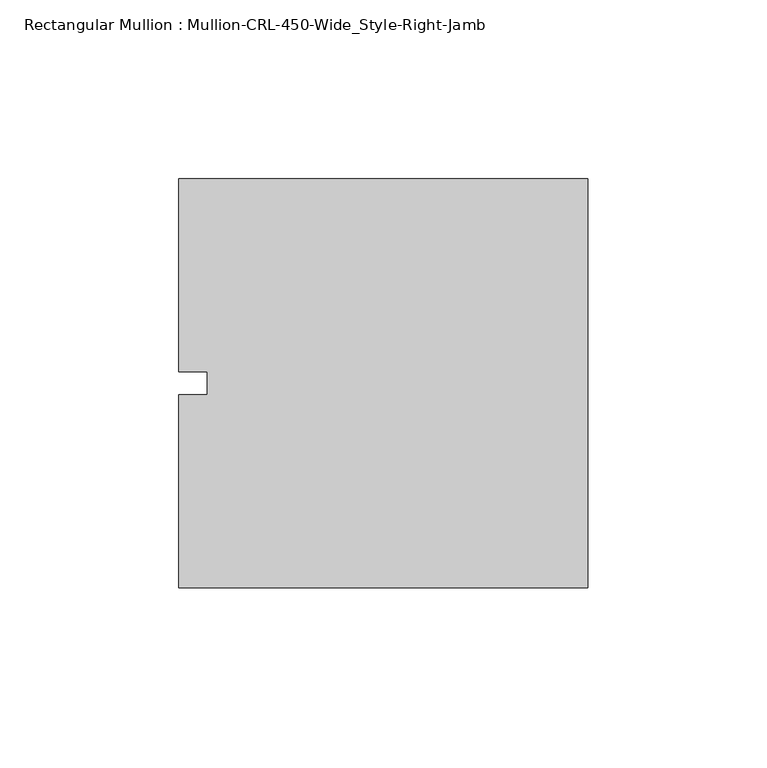
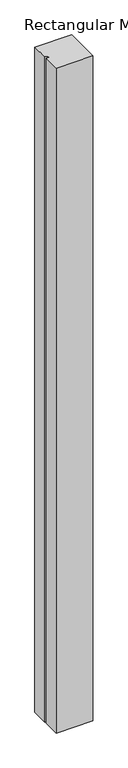
"""IFC4 building model written with IfcOpenShell, lengths in millimetres: member geometry, Rectangular Mullion : Mullion-CRL-450-Wide_Style-Right-Jamb."""

from ifc_helpers import new_model, si_unit, frame, origin, place, context, project, spatial, polyline, outline, extrude, source, transform, mapped, element, save


def rectangular_mullion_mullion_crl_450_wide_style_right_jamb_a54d5f39(model_context):
    return source(origin(), model_context, "Body", "SweptSolid", [
        extrude(outline(polyline([(0.0, -57.15), (-114.3, -57.15), (-114.3, -3.175), (-106.3625, -3.175), (-106.3625, 3.175), (-114.3, 3.175), (-114.3, 57.15), (0.0, 57.15), (0.0, -57.15)])), frame((0.0, 0.0, -2193.925), z_axis=(0.0, 0.0, 1.0), x_axis=(1.0, 0.0, 0.0)), (0.0, 0.0, 1.0), 2193.925),
    ])


if __name__ == "__main__":
    model = new_model("IFC4")
    model_context = context("Model", 3, world=origin())
    ifc_project = project(units=[si_unit("LENGTHUNIT", "METRE", prefix="MILLI")], contexts=[model_context])
    site = spatial("IfcSite", under=ifc_project)
    building = spatial("IfcBuilding", under=site)
    placement = place(None, origin())
    rectangular_mullion_mullion_crl_450_wide_style_right_jamb_shape = rectangular_mullion_mullion_crl_450_wide_style_right_jamb_a54d5f39(model_context)
    element("IfcMember", 1, ObjectType="Rectangular Mullion : Mullion-CRL-450-Wide_Style-Right-Jamb", at=placement, inside=building, context=model_context, shape_type="MappedRepresentation", body=[
        mapped(rectangular_mullion_mullion_crl_450_wide_style_right_jamb_shape, transform((0.0, 0.0, 0.0), x_axis=(1.0, 0.0, 0.0), y_axis=(0.0, 1.0, 0.0), z_axis=(0.0, 0.0, 1.0))),
    ])
    save(model, "model.ifc")
